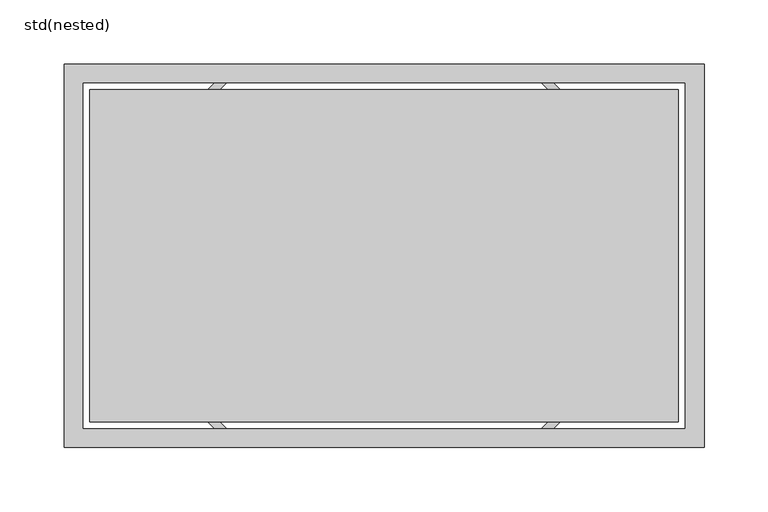
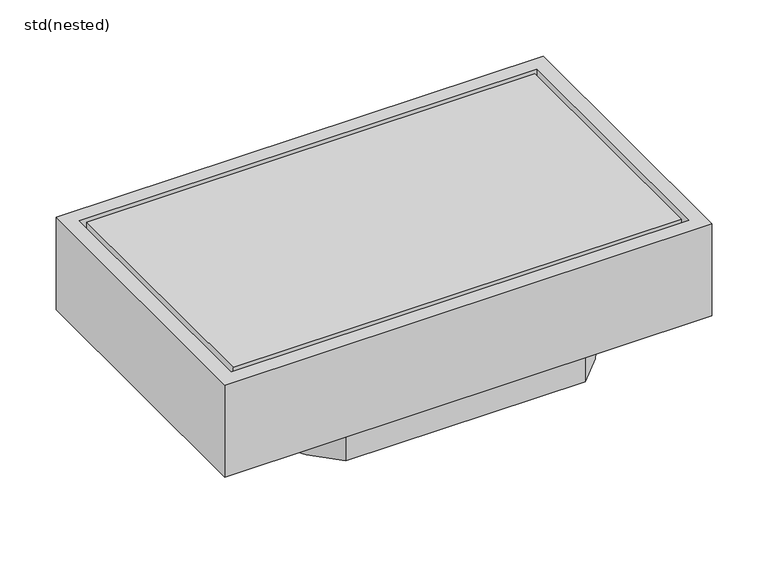
"""IFC4 building model written with IfcOpenShell, lengths in millimetres: sanitary terminal geometry, std(nested)."""

import ifcopenshell
import ifcopenshell.guid

model = None  # the IFC model being written
_history = None  # IfcOwnerHistory: only IFC2X3 demands one
_inside = {}  # id of a spatial element -> (the spatial element, [elements in it])
_under = {}  # id of a project, library or spatial element -> (it, [spatial elements below it])
_declared = {}  # id of a project -> (the project, [libraries it declares])
_typed = {}  # id of a type object -> (the type object, [elements of that type])
_made_of = {}  # id of a material, layer set ... -> (it, [elements and type objects made of it])


def new_model(schema):
    """Start an empty IFC model of exactly this schema.

    Asked for "IFC4X3", IfcOpenShell would pick the latest addendum, in which some entities
    have other attributes; the version numbers below select the first issue.
    IFC2X3 requires an IfcOwnerHistory on every rooted entity: one is made here for all.
    """
    global model, _history
    if schema == "IFC4X3":
        model = ifcopenshell.file(schema_version=(4, 3, 0, 0))
    else:
        model = ifcopenshell.file(schema=schema)
    _inside.clear()
    _under.clear()
    _declared.clear()
    _typed.clear()
    _made_of.clear()
    _history = None
    if model.schema == "IFC2X3":
        org = make("IfcOrganization", Name="unknown")
        user = make(
            "IfcPersonAndOrganization",
            ThePerson=make("IfcPerson", FamilyName="unknown"),
            TheOrganization=org,
        )
        app = make(
            "IfcApplication",
            ApplicationDeveloper=org,
            Version="unknown",
            ApplicationFullName="unknown",
            ApplicationIdentifier="unknown",
        )
        _history = make(
            "IfcOwnerHistory",
            OwningUser=user,
            OwningApplication=app,
            ChangeAction="ADDED",
            CreationDate=0,
        )
    return model


def make(cls, **values):
    """One entity of the class cls with the attributes given. An attribute that is None is left unset."""
    return model.create_entity(
        cls, **{name: value for name, value in values.items() if value is not None}
    )


def rooted(cls, **values):
    """An entity with a GlobalId (a new one), such as an element, a storey or a relation."""
    return make(cls, GlobalId=ifcopenshell.guid.new(), OwnerHistory=_history, **values)


def si_unit(unit_type, name, prefix=None):
    """IfcSIUnit, for example si_unit("LENGTHUNIT", "METRE", prefix="MILLI")."""
    return make("IfcSIUnit", UnitType=unit_type, Prefix=prefix, Name=name)


def assignment(units):
    """IfcUnitAssignment: the units of a project."""
    return None if units is None else make("IfcUnitAssignment", Units=units)


def point(xyz):
    """IfcCartesianPoint."""
    return None if xyz is None else make("IfcCartesianPoint", Coordinates=xyz)


def direction(xyz):
    """IfcDirection."""
    return None if xyz is None else make("IfcDirection", DirectionRatios=xyz)


def frame(location, z_axis=None, x_axis=None):
    """IfcAxis2Placement3D, a coordinate frame: its origin and axes. An axis left out is left unset."""
    return make(
        "IfcAxis2Placement3D",
        Location=point(location),
        Axis=direction(z_axis),
        RefDirection=direction(x_axis),
    )


def frame_2d(location, x_axis=None):
    """IfcAxis2Placement2D, a coordinate frame in the plane: its origin and x axis."""
    return make(
        "IfcAxis2Placement2D", Location=point(location), RefDirection=direction(x_axis)
    )


def origin():
    """The frame at (0, 0, 0) with its axes left unset."""
    return frame((0.0, 0.0, 0.0))


def origin_2d():
    """The frame at (0, 0) in the plane with its x axis left unset."""
    return frame_2d((0.0, 0.0))


def place(relative_to, where):
    """IfcLocalPlacement: puts the frame where relative to a parent placement (None: the world)."""
    return make(
        "IfcLocalPlacement", PlacementRelTo=relative_to, RelativePlacement=where
    )


def context(
    kind, dimensions, precision=None, world=None, true_north=None, identifier=None
):
    """IfcGeometricRepresentationContext, for example the 3D "Model" context."""
    return make(
        "IfcGeometricRepresentationContext",
        ContextIdentifier=identifier,
        ContextType=kind,
        CoordinateSpaceDimension=dimensions,
        Precision=precision,
        WorldCoordinateSystem=world,
        TrueNorth=true_north,
    )


def project(units=None, contexts=None):
    """IfcProject with its units and contexts."""
    return rooted(
        "IfcProject",
        Name="project",
        RepresentationContexts=contexts,
        UnitsInContext=assignment(units),
    )


def spatial(cls, under=None, at=None, **own):
    """A site, building, storey or space (cls), placed at a placement, below another one or the project."""
    s = rooted(cls, ObjectPlacement=at, **own)
    if under is not None:
        _under.setdefault(under.id(), (under, []))[1].append(s)
    return s


def polyline(points):
    """IfcPolyline through the points."""
    return make("IfcPolyline", Points=[point(p) for p in points])


def circle_curve(where, radius):
    """IfcCircle in the frame where."""
    return make("IfcCircle", Position=where, Radius=radius)


def trimmed(basis, trim1, trim2, sense, master):
    """IfcTrimmedCurve: the piece of a basis curve between two trims."""
    return make(
        "IfcTrimmedCurve",
        BasisCurve=basis,
        Trim1=trim1,
        Trim2=trim2,
        SenseAgreement=sense,
        MasterRepresentation=master,
    )


def segment(curve, same_sense, transition):
    """IfcCompositeCurveSegment."""
    return make(
        "IfcCompositeCurveSegment",
        Transition=transition,
        SameSense=same_sense,
        ParentCurve=curve,
    )


def composite_curve(segments, self_intersect=None):
    """IfcCompositeCurve: segments joined end to end."""
    return make("IfcCompositeCurve", Segments=segments, SelfIntersect=self_intersect)


def outline(outer, holes=None, kind="AREA"):
    """IfcArbitraryClosedProfileDef: a profile drawn as a closed curve; with holes, ...WithVoids."""
    if holes is None:
        return make("IfcArbitraryClosedProfileDef", ProfileType=kind, OuterCurve=outer)
    return make(
        "IfcArbitraryProfileDefWithVoids",
        ProfileType=kind,
        OuterCurve=outer,
        InnerCurves=holes,
    )


def extrude(swept, where, along, depth):
    """IfcExtrudedAreaSolid: the profile swept, set in the frame where, extruded along a direction by depth."""
    return make(
        "IfcExtrudedAreaSolid",
        SweptArea=swept,
        Position=where,
        ExtrudedDirection=direction(along),
        Depth=depth,
    )


def shape(context_of_items, identifier, shape_type, items):
    """IfcShapeRepresentation: the items that make up one representation, for example the "Body"."""
    return make(
        "IfcShapeRepresentation",
        ContextOfItems=context_of_items,
        RepresentationIdentifier=identifier,
        RepresentationType=shape_type,
        Items=items,
    )


def source(mapping_origin, context_of_items, identifier, shape_type, items):
    """IfcRepresentationMap: a shape defined once, which mapped items show again and again."""
    return make(
        "IfcRepresentationMap",
        MappingOrigin=mapping_origin,
        MappedRepresentation=shape(context_of_items, identifier, shape_type, items),
    )


def transform(
    local_origin,
    x_axis=None,
    y_axis=None,
    z_axis=None,
    scale=None,
    scale2=None,
    scale3=None,
    uniform=True,
):
    """IfcCartesianTransformationOperator3D, or its non-uniform kind. x_axis, y_axis, z_axis: its Axis1, 2, 3."""
    if uniform:
        return make(
            "IfcCartesianTransformationOperator3D",
            Axis1=direction(x_axis),
            Axis2=direction(y_axis),
            LocalOrigin=point(local_origin),
            Scale=scale,
            Axis3=direction(z_axis),
        )
    return make(
        "IfcCartesianTransformationOperator3DnonUniform",
        Axis1=direction(x_axis),
        Axis2=direction(y_axis),
        LocalOrigin=point(local_origin),
        Scale=scale,
        Axis3=direction(z_axis),
        Scale2=scale2,
        Scale3=scale3,
    )


def mapped(mapping_source, mapping_target):
    """IfcMappedItem: shows the shape of a source again, moved by a transform."""
    return make(
        "IfcMappedItem", MappingSource=mapping_source, MappingTarget=mapping_target
    )


def made_of(thing, what):
    """Note that an element or type object is made of a material, layer set ...; save() writes the relation."""
    if what is not None:
        _made_of.setdefault(what.id(), (what, []))[1].append(thing)
    return thing


def element(
    cls,
    number,
    at=None,
    inside=None,
    cuts=None,
    type_object=None,
    material=None,
    context=None,
    identifier="Body",
    shape_type=None,
    held_by="IfcProductDefinitionShape",
    body=None,
    shapes=None,
    **own,
):
    """One element of the class cls, such as IfcWall. Its Tag is "e" and its number.

    at: its placement. inside: the storey or other place that contains it. cuts: it is an
    opening in that element (IfcRelVoidsElement). A single representation is given by context,
    identifier, shape_type and body (its items); several are given by shapes. held_by: the class
    of the entity that holds the representations. save() writes the other relations.
    """
    e = rooted(cls, Tag="e%d" % number, ObjectPlacement=at, **own)
    if body is not None:
        shapes = [shape(context, identifier, shape_type, body)]
    if shapes is not None:
        e.Representation = make(held_by, Representations=shapes)
    if inside is not None:
        _inside.setdefault(inside.id(), (inside, []))[1].append(e)
    if cuts is not None:
        rooted(
            "IfcRelVoidsElement", RelatingBuildingElement=cuts, RelatedOpeningElement=e
        )
    if type_object is not None:
        _typed.setdefault(type_object.id(), (type_object, []))[1].append(e)
    return made_of(e, material)


def aggregate(whole, parts):
    """IfcRelAggregates: a whole, such as a stair, and the parts it consists of."""
    return rooted("IfcRelAggregates", RelatingObject=whole, RelatedObjects=parts)


def save(model, path):
    """Write the relations noted so far, then the file.

    IfcRelAggregates (storeys below a building ...), IfcRelContainedInSpatialStructure (elements
    in a storey), IfcRelDefinesByType, IfcRelAssociatesMaterial and IfcRelDeclares: one each for
    every whole, place, type object, material and project.
    """
    for whole, parts in _under.values():
        aggregate(whole, parts)
    for where, things in _inside.values():
        rooted(
            "IfcRelContainedInSpatialStructure",
            RelatedElements=things,
            RelatingStructure=where,
        )
    for kind, things in _typed.values():
        rooted("IfcRelDefinesByType", RelatedObjects=things, RelatingType=kind)
    for what, things in _made_of.values():
        rooted("IfcRelAssociatesMaterial", RelatedObjects=things, RelatingMaterial=what)
    for by, libraries in _declared.values():
        rooted("IfcRelDeclares", RelatingContext=by, RelatedDefinitions=libraries)
    model.write(path)


def std_nested_886b1ac0(model_context):
    return source(origin(), model_context, "Body", "SweptSolid", [
        extrude(outline(composite_curve([segment(trimmed(circle_curve(origin_2d(), 190.0), [point((122.7802916, 145.0))], [point((122.7802916, -145.0))], False, "CARTESIAN"), True, "CONTINUOUS"), segment(polyline([(122.7802916, -145.0), (-122.7802916, -145.0)]), True, "CONTINUOUS"), segment(trimmed(circle_curve(origin_2d(), 190.0), [point((-122.7802916, -145.0))], [point((-122.7802916, 145.0))], False, "CARTESIAN"), True, "CONTINUOUS"), segment(polyline([(-122.7802916, 145.0), (122.7802916, 145.0)]), True, "CONTINUOUS")], self_intersect=False), holes=[composite_curve([segment(trimmed(circle_curve(origin_2d(), 183.0), [point((-120.1873537, 138.0))], [point((-120.1873537, -138.0))], True, "CARTESIAN"), True, "CONTINUOUS"), segment(polyline([(-120.1873537, -138.0), (120.1873537, -138.0)]), True, "CONTINUOUS"), segment(trimmed(circle_curve(origin_2d(), 183.0), [point((120.1873537, -138.0))], [point((120.1873537, 138.0))], True, "CARTESIAN"), True, "CONTINUOUS"), segment(polyline([(120.1873537, 138.0), (-120.1873537, 138.0)]), True, "CONTINUOUS")], self_intersect=False)]), frame((0.0, 0.0, -130.0), z_axis=(0.0, 0.0, 1.0), x_axis=(1.0, 0.0, 0.0)), (0.0, 0.0, 1.0), 30.0),
        extrude(outline(polyline([(250.0, 150.0), (250.0, -150.0), (-250.0, -150.0), (-250.0, 150.0), (250.0, 150.0)]), holes=[polyline([(235.0, 135.0), (-235.0, 135.0), (-235.0, -135.0), (235.0, -135.0), (235.0, 135.0)])]), frame((0.0, 0.0, -100.0), z_axis=(0.0, 0.0, 1.0), x_axis=(1.0, 0.0, 0.0)), (0.0, 0.0, 1.0), 100.0),
        extrude(outline(polyline([(230.0, 130.0), (230.0, -130.0), (-230.0, -130.0), (-230.0, 130.0), (230.0, 130.0)])), frame((0.0, 0.0, -100.0), z_axis=(0.0, 0.0, 1.0), x_axis=(1.0, 0.0, 0.0)), (0.0, 0.0, 1.0), 100.0),
    ])


if __name__ == "__main__":
    model = new_model("IFC4")
    model_context = context("Model", 3, world=origin())
    ifc_project = project(units=[si_unit("LENGTHUNIT", "METRE", prefix="MILLI")], contexts=[model_context])
    site = spatial("IfcSite", under=ifc_project)
    building = spatial("IfcBuilding", under=site)
    placement = place(None, origin())
    std_nested_shape = std_nested_886b1ac0(model_context)
    element("IfcSanitaryTerminal", 1, ObjectType="std(nested)", at=placement, inside=building, context=model_context, shape_type="MappedRepresentation", body=[
        mapped(std_nested_shape, transform((0.0, 0.0, 0.0), x_axis=(1.0, 0.0, 0.0), y_axis=(0.0, 1.0, 0.0), z_axis=(0.0, 0.0, 1.0))),
    ])
    save(model, "model.ifc")
